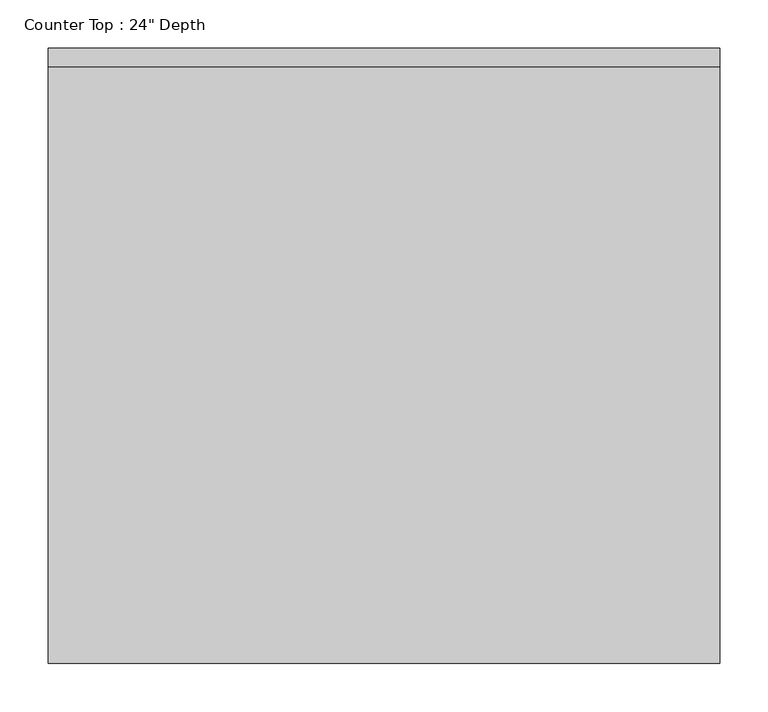
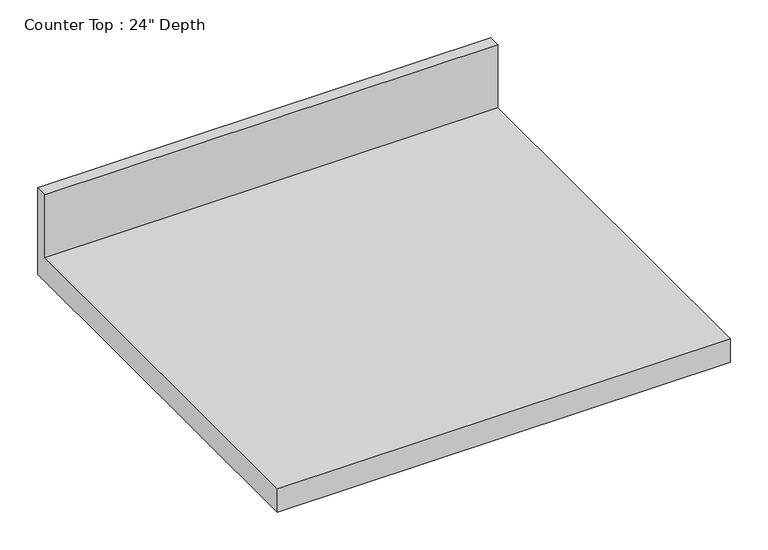
"""IFC4 building model written with IfcOpenShell, lengths in millimetres: furniture geometry."""

from ifc_helpers import new_model, si_unit, frame, origin, place, context, project, spatial, polyline, outline, extrude, source, transform, mapped, element, save


def furniture_8f013185(model_context):
    return source(origin(), model_context, "Body", "SweptSolid", [
        extrude(outline(polyline([(0.0, 1016.0), (0.0, 876.3), (-635.0, 876.3), (-635.0, 914.4), (-19.05, 914.4), (-19.05, 1016.0), (0.0, 1016.0)])), frame((-1200.4622951, 0.0, 0.0), z_axis=(1.0, 0.0, 0.0), x_axis=(0.0, 1.0, 0.0)), (0.0, 0.0, 1.0), 692.7080294),
    ])


if __name__ == "__main__":
    model = new_model("IFC4")
    model_context = context("Model", 3, world=origin())
    ifc_project = project(units=[si_unit("LENGTHUNIT", "METRE", prefix="MILLI")], contexts=[model_context])
    site = spatial("IfcSite", under=ifc_project)
    building = spatial("IfcBuilding", under=site)
    placement = place(None, origin())
    furniture_shape = furniture_8f013185(model_context)
    element("IfcFurniture", 1, ObjectType="Counter Top : 24\" Depth", at=placement, inside=building, context=model_context, shape_type="MappedRepresentation", body=[
        mapped(furniture_shape, transform((0.0, 0.0, 0.0), x_axis=(1.0, 0.0, 0.0), y_axis=(0.0, 1.0, 0.0), z_axis=(0.0, 0.0, 1.0))),
    ])
    save(model, "model.ifc")
